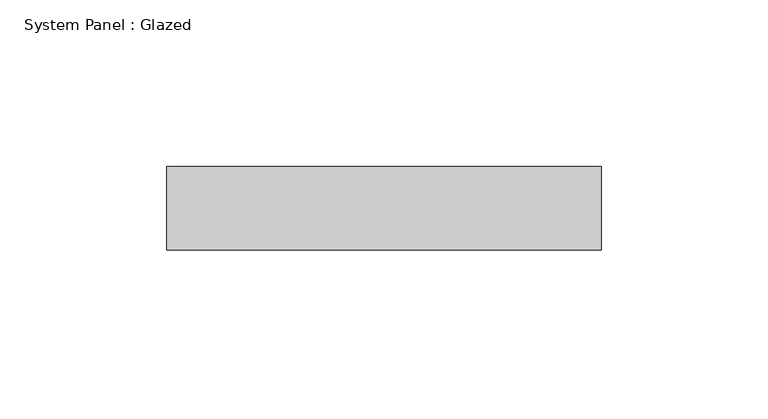
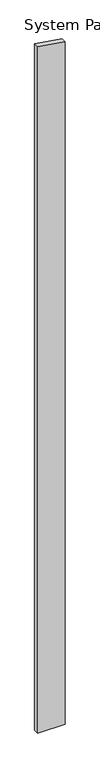
"""IFC4 building model written with IfcOpenShell, lengths in millimetres: plate geometry, System Panel : Glazed."""

from ifc_helpers import new_model, si_unit, frame, origin, place, context, project, spatial, polyline, outline, extrude, source, transform, mapped, element, save


def system_panel_glazed_981ae701(model_context):
    return source(origin(), model_context, "Body", "SweptSolid", [
        extrude(outline(polyline([(0.0, -65.0), (0.0, 65.0), (3437.8000099, 65.0), (3457.0528349, -65.0), (0.0, -65.0)])), frame((0.0, 24.5, 0.0), z_axis=(0.0, 1.0, 0.0), x_axis=(0.0, 0.0, 1.0)), (0.0, 0.0, 1.0), 25.0),
    ])


if __name__ == "__main__":
    model = new_model("IFC4")
    model_context = context("Model", 3, world=origin())
    ifc_project = project(units=[si_unit("LENGTHUNIT", "METRE", prefix="MILLI")], contexts=[model_context])
    site = spatial("IfcSite", under=ifc_project)
    building = spatial("IfcBuilding", under=site)
    placement = place(None, origin())
    system_panel_glazed_shape = system_panel_glazed_981ae701(model_context)
    element("IfcPlate", 1, ObjectType="System Panel : Glazed", at=placement, inside=building, context=model_context, shape_type="MappedRepresentation", body=[
        mapped(system_panel_glazed_shape, transform((0.0, 0.0, 0.0), x_axis=(1.0, 0.0, 0.0), y_axis=(0.0, 1.0, 0.0), z_axis=(0.0, 0.0, 1.0))),
    ])
    save(model, "model.ifc")
